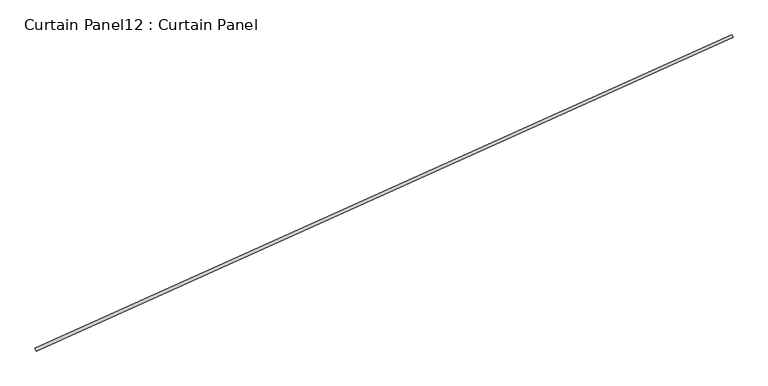
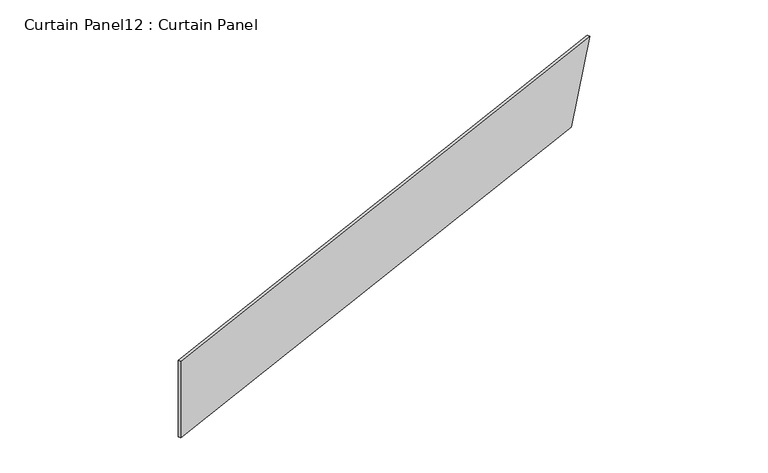
"""IFC4 building model written with IfcOpenShell, lengths in millimetres: plate geometry, Curtain Panel12 : Curtain Panel."""

from ifc_helpers import new_model, si_unit, frame, origin, place, context, project, spatial, polyline, outline, extrude, source, transform, mapped, element, save


def curtain_panel12_curtain_panel_fa56c0ee(model_context):
    return source(origin(), model_context, "Body", "SweptSolid", [
        extrude(outline(polyline([(0.0, 0.0), (0.0, -6542.8577683), (-914.4, -6851.5353728), (-914.4, 0.0), (0.0, 0.0)])), frame((36557.5770857, -12836.3437505, 17373.6), z_axis=(-0.4102319712783583, 0.9119812112873117, 0.0), x_axis=(0.0, 0.0, -1.0)), (0.0, 0.0, 1.0), 25.4),
    ])


if __name__ == "__main__":
    model = new_model("IFC4")
    model_context = context("Model", 3, world=origin())
    ifc_project = project(units=[si_unit("LENGTHUNIT", "METRE", prefix="MILLI")], contexts=[model_context])
    site = spatial("IfcSite", under=ifc_project)
    building = spatial("IfcBuilding", under=site)
    placement = place(None, origin())
    curtain_panel12_curtain_panel_shape = curtain_panel12_curtain_panel_fa56c0ee(model_context)
    element("IfcPlate", 1, ObjectType="Curtain Panel12 : Curtain Panel", at=placement, inside=building, context=model_context, shape_type="MappedRepresentation", body=[
        mapped(curtain_panel12_curtain_panel_shape, transform((0.0, 0.0, 0.0), x_axis=(1.0, 0.0, 0.0), y_axis=(0.0, 1.0, 0.0), z_axis=(0.0, 0.0, 1.0))),
    ])
    save(model, "model.ifc")
